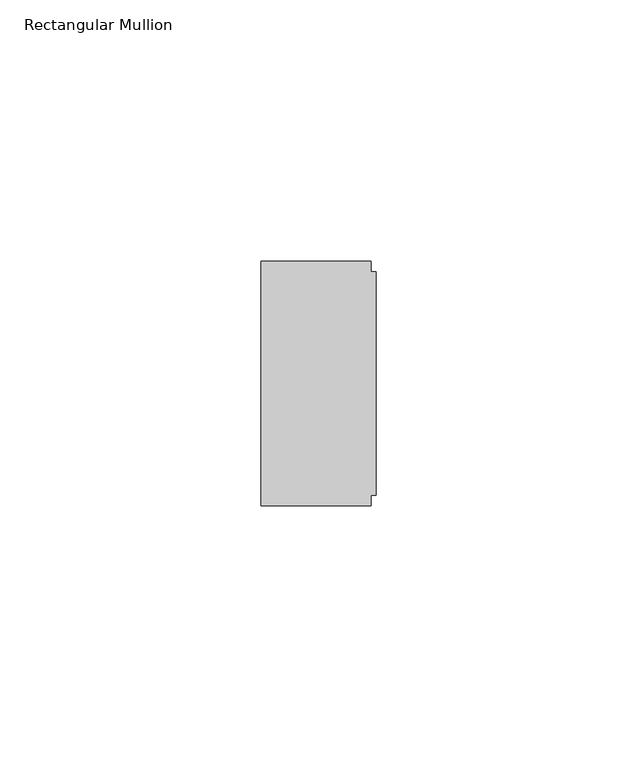
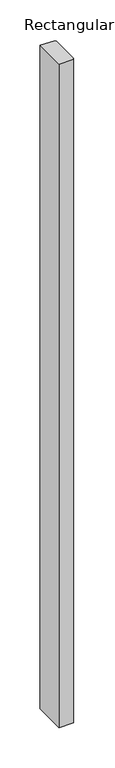
"""IFC4 building model written with IfcOpenShell, lengths in millimetres: member geometry, Rectangular Mullion."""

from ifc_helpers import new_model, si_unit, frame, origin, place, context, project, spatial, polyline, outline, extrude, source, transform, mapped, element, save


def rectangular_mullion_59c7afdd(model_context):
    return source(origin(), model_context, "Body", "SweptSolid", [
        extrude(outline(polyline([(-1.0, 23.4), (-1.0, 21.4), (0.0, 21.4), (0.0, -21.4), (-1.0, -21.4), (-1.0, -23.4), (-22.0, -23.4), (-22.0, 23.4), (-1.0, 23.4)])), frame((0.0, 0.0, -1003.0), z_axis=(0.0, 0.0, 1.0), x_axis=(1.0, 0.0, 0.0)), (0.0, 0.0, 1.0), 1003.0),
    ])


if __name__ == "__main__":
    model = new_model("IFC4")
    model_context = context("Model", 3, world=origin())
    ifc_project = project(units=[si_unit("LENGTHUNIT", "METRE", prefix="MILLI")], contexts=[model_context])
    site = spatial("IfcSite", under=ifc_project)
    building = spatial("IfcBuilding", under=site)
    placement = place(None, origin())
    rectangular_mullion_shape = rectangular_mullion_59c7afdd(model_context)
    element("IfcMember", 1, ObjectType="Rectangular Mullion", at=placement, inside=building, context=model_context, shape_type="MappedRepresentation", body=[
        mapped(rectangular_mullion_shape, transform((0.0, 0.0, 0.0), x_axis=(1.0, 0.0, 0.0), y_axis=(0.0, 1.0, 0.0), z_axis=(0.0, 0.0, 1.0))),
    ])
    save(model, "model.ifc")
